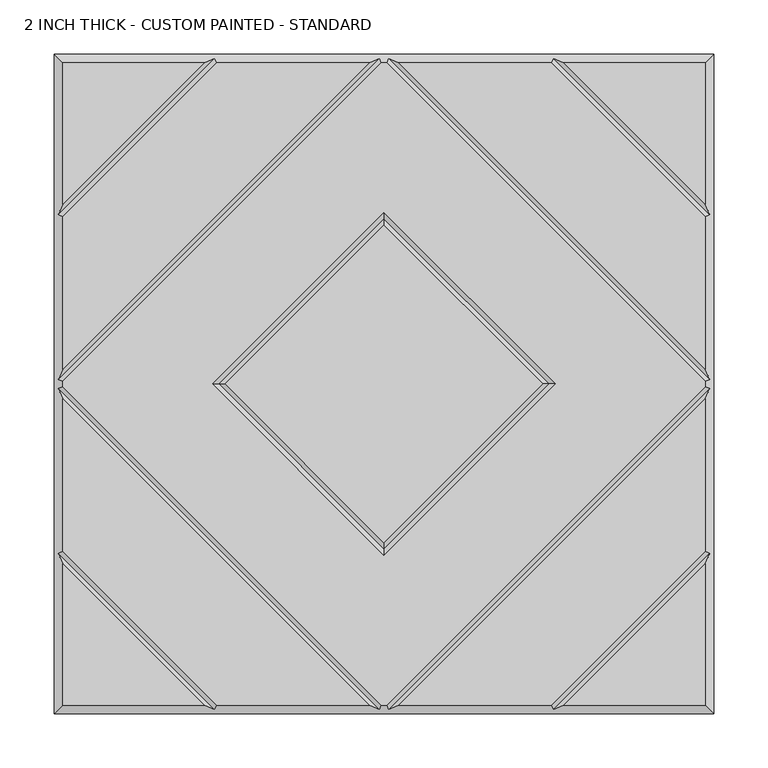
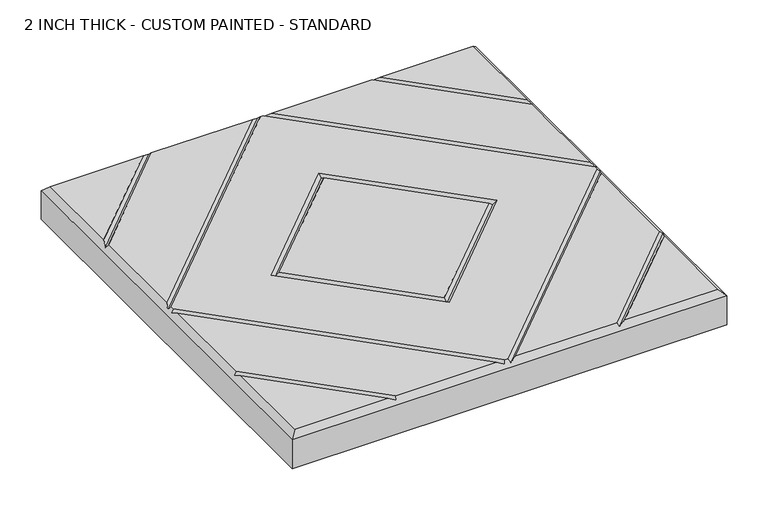
"""IFC4 building model written with IfcOpenShell, lengths in millimetres: proxy geometry, 2 INCH THICK - CUSTOM PAINTED - STANDARD."""

import ifcopenshell
import ifcopenshell.guid

model = None  # the IFC model being written
_history = None  # IfcOwnerHistory: only IFC2X3 demands one
_inside = {}  # id of a spatial element -> (the spatial element, [elements in it])
_under = {}  # id of a project, library or spatial element -> (it, [spatial elements below it])
_declared = {}  # id of a project -> (the project, [libraries it declares])
_typed = {}  # id of a type object -> (the type object, [elements of that type])
_made_of = {}  # id of a material, layer set ... -> (it, [elements and type objects made of it])


def new_model(schema):
    """Start an empty IFC model of exactly this schema.

    Asked for "IFC4X3", IfcOpenShell would pick the latest addendum, in which some entities
    have other attributes; the version numbers below select the first issue.
    IFC2X3 requires an IfcOwnerHistory on every rooted entity: one is made here for all.
    """
    global model, _history
    if schema == "IFC4X3":
        model = ifcopenshell.file(schema_version=(4, 3, 0, 0))
    else:
        model = ifcopenshell.file(schema=schema)
    _inside.clear()
    _under.clear()
    _declared.clear()
    _typed.clear()
    _made_of.clear()
    _history = None
    if model.schema == "IFC2X3":
        org = make("IfcOrganization", Name="unknown")
        user = make(
            "IfcPersonAndOrganization",
            ThePerson=make("IfcPerson", FamilyName="unknown"),
            TheOrganization=org,
        )
        app = make(
            "IfcApplication",
            ApplicationDeveloper=org,
            Version="unknown",
            ApplicationFullName="unknown",
            ApplicationIdentifier="unknown",
        )
        _history = make(
            "IfcOwnerHistory",
            OwningUser=user,
            OwningApplication=app,
            ChangeAction="ADDED",
            CreationDate=0,
        )
    return model


def make(cls, **values):
    """One entity of the class cls with the attributes given. An attribute that is None is left unset."""
    return model.create_entity(
        cls, **{name: value for name, value in values.items() if value is not None}
    )


def rooted(cls, **values):
    """An entity with a GlobalId (a new one), such as an element, a storey or a relation."""
    return make(cls, GlobalId=ifcopenshell.guid.new(), OwnerHistory=_history, **values)


def si_unit(unit_type, name, prefix=None):
    """IfcSIUnit, for example si_unit("LENGTHUNIT", "METRE", prefix="MILLI")."""
    return make("IfcSIUnit", UnitType=unit_type, Prefix=prefix, Name=name)


def assignment(units):
    """IfcUnitAssignment: the units of a project."""
    return None if units is None else make("IfcUnitAssignment", Units=units)


def point(xyz):
    """IfcCartesianPoint."""
    return None if xyz is None else make("IfcCartesianPoint", Coordinates=xyz)


def direction(xyz):
    """IfcDirection."""
    return None if xyz is None else make("IfcDirection", DirectionRatios=xyz)


def frame(location, z_axis=None, x_axis=None):
    """IfcAxis2Placement3D, a coordinate frame: its origin and axes. An axis left out is left unset."""
    return make(
        "IfcAxis2Placement3D",
        Location=point(location),
        Axis=direction(z_axis),
        RefDirection=direction(x_axis),
    )


def origin():
    """The frame at (0, 0, 0) with its axes left unset."""
    return frame((0.0, 0.0, 0.0))


def place(relative_to, where):
    """IfcLocalPlacement: puts the frame where relative to a parent placement (None: the world)."""
    return make(
        "IfcLocalPlacement", PlacementRelTo=relative_to, RelativePlacement=where
    )


def context(
    kind, dimensions, precision=None, world=None, true_north=None, identifier=None
):
    """IfcGeometricRepresentationContext, for example the 3D "Model" context."""
    return make(
        "IfcGeometricRepresentationContext",
        ContextIdentifier=identifier,
        ContextType=kind,
        CoordinateSpaceDimension=dimensions,
        Precision=precision,
        WorldCoordinateSystem=world,
        TrueNorth=true_north,
    )


def project(units=None, contexts=None):
    """IfcProject with its units and contexts."""
    return rooted(
        "IfcProject",
        Name="project",
        RepresentationContexts=contexts,
        UnitsInContext=assignment(units),
    )


def spatial(cls, under=None, at=None, **own):
    """A site, building, storey or space (cls), placed at a placement, below another one or the project."""
    s = rooted(cls, ObjectPlacement=at, **own)
    if under is not None:
        _under.setdefault(under.id(), (under, []))[1].append(s)
    return s


def faces_of(points, faces, orient=None, outer=None):
    """IfcFace entities. A face is a list of loops; a loop is a list of indices into points, from 0.

    orient and outer hold one flag for each loop. By default every Orientation is true, the
    first loop of a face is its IfcFaceOuterBound and the others are IfcFaceBound.
    """
    made = []
    for i, loops in enumerate(faces):
        bounds = []
        for j, loop in enumerate(loops):
            is_outer = j == 0 if outer is None else outer[i][j]
            bounds.append(
                make(
                    "IfcFaceOuterBound" if is_outer else "IfcFaceBound",
                    Bound=make("IfcPolyLoop", Polygon=[points[k] for k in loop]),
                    Orientation=True if orient is None else orient[i][j],
                )
            )
        made.append(make("IfcFace", Bounds=bounds))
    return made


def faceted_brep(points, faces, orient=None, outer=None, voids=None):
    """IfcFacetedBrep: a solid bounded by flat faces; with voids (closed shells), ...WithVoids."""
    shared = [point(p) for p in points]
    hull = make("IfcClosedShell", CfsFaces=faces_of(shared, faces, orient, outer))
    if voids is None:
        return make("IfcFacetedBrep", Outer=hull)
    return make(
        "IfcFacetedBrepWithVoids",
        Outer=hull,
        Voids=[
            make(cls, CfsFaces=faces_of(shared, fs, o, b)) for cls, fs, o, b in voids
        ],
    )


def shape(context_of_items, identifier, shape_type, items):
    """IfcShapeRepresentation: the items that make up one representation, for example the "Body"."""
    return make(
        "IfcShapeRepresentation",
        ContextOfItems=context_of_items,
        RepresentationIdentifier=identifier,
        RepresentationType=shape_type,
        Items=items,
    )


def source(mapping_origin, context_of_items, identifier, shape_type, items):
    """IfcRepresentationMap: a shape defined once, which mapped items show again and again."""
    return make(
        "IfcRepresentationMap",
        MappingOrigin=mapping_origin,
        MappedRepresentation=shape(context_of_items, identifier, shape_type, items),
    )


def transform(
    local_origin,
    x_axis=None,
    y_axis=None,
    z_axis=None,
    scale=None,
    scale2=None,
    scale3=None,
    uniform=True,
):
    """IfcCartesianTransformationOperator3D, or its non-uniform kind. x_axis, y_axis, z_axis: its Axis1, 2, 3."""
    if uniform:
        return make(
            "IfcCartesianTransformationOperator3D",
            Axis1=direction(x_axis),
            Axis2=direction(y_axis),
            LocalOrigin=point(local_origin),
            Scale=scale,
            Axis3=direction(z_axis),
        )
    return make(
        "IfcCartesianTransformationOperator3DnonUniform",
        Axis1=direction(x_axis),
        Axis2=direction(y_axis),
        LocalOrigin=point(local_origin),
        Scale=scale,
        Axis3=direction(z_axis),
        Scale2=scale2,
        Scale3=scale3,
    )


def mapped(mapping_source, mapping_target):
    """IfcMappedItem: shows the shape of a source again, moved by a transform."""
    return make(
        "IfcMappedItem", MappingSource=mapping_source, MappingTarget=mapping_target
    )


def made_of(thing, what):
    """Note that an element or type object is made of a material, layer set ...; save() writes the relation."""
    if what is not None:
        _made_of.setdefault(what.id(), (what, []))[1].append(thing)
    return thing


def element(
    cls,
    number,
    at=None,
    inside=None,
    cuts=None,
    type_object=None,
    material=None,
    context=None,
    identifier="Body",
    shape_type=None,
    held_by="IfcProductDefinitionShape",
    body=None,
    shapes=None,
    **own,
):
    """One element of the class cls, such as IfcWall. Its Tag is "e" and its number.

    at: its placement. inside: the storey or other place that contains it. cuts: it is an
    opening in that element (IfcRelVoidsElement). A single representation is given by context,
    identifier, shape_type and body (its items); several are given by shapes. held_by: the class
    of the entity that holds the representations. save() writes the other relations.
    """
    e = rooted(cls, Tag="e%d" % number, ObjectPlacement=at, **own)
    if body is not None:
        shapes = [shape(context, identifier, shape_type, body)]
    if shapes is not None:
        e.Representation = make(held_by, Representations=shapes)
    if inside is not None:
        _inside.setdefault(inside.id(), (inside, []))[1].append(e)
    if cuts is not None:
        rooted(
            "IfcRelVoidsElement", RelatingBuildingElement=cuts, RelatedOpeningElement=e
        )
    if type_object is not None:
        _typed.setdefault(type_object.id(), (type_object, []))[1].append(e)
    return made_of(e, material)


def aggregate(whole, parts):
    """IfcRelAggregates: a whole, such as a stair, and the parts it consists of."""
    return rooted("IfcRelAggregates", RelatingObject=whole, RelatedObjects=parts)


def save(model, path):
    """Write the relations noted so far, then the file.

    IfcRelAggregates (storeys below a building ...), IfcRelContainedInSpatialStructure (elements
    in a storey), IfcRelDefinesByType, IfcRelAssociatesMaterial and IfcRelDeclares: one each for
    every whole, place, type object, material and project.
    """
    for whole, parts in _under.values():
        aggregate(whole, parts)
    for where, things in _inside.values():
        rooted(
            "IfcRelContainedInSpatialStructure",
            RelatedElements=things,
            RelatingStructure=where,
        )
    for kind, things in _typed.values():
        rooted("IfcRelDefinesByType", RelatedObjects=things, RelatingType=kind)
    for what, things in _made_of.values():
        rooted("IfcRelAssociatesMaterial", RelatedObjects=things, RelatingMaterial=what)
    for by, libraries in _declared.values():
        rooted("IfcRelDeclares", RelatingContext=by, RelatedDefinitions=libraries)
    model.write(path)


def proxy_2_inch_thick_custom_painted_standard_75d2318e(model_context):
    return source(origin(), model_context, "Body", "Brep", [
        faceted_brep([(296.799, 166.0585868, 50.8), (296.799, 296.799, 50.8), (166.0585868, 296.799, 50.8), (-166.0585868, 296.799, 50.8), (-296.799, 296.799, 50.8), (-296.799, 166.0585868, 50.8), (-2.3434382, -296.799, 50.8), (2.3434382, -296.799, 50.8), (296.799, -2.3434137, 50.8), (296.799, 2.3434632, 50.8), (2.3434141, 296.799, 50.8), (-2.343464, 296.799, 50.8), (-296.799, 2.343464, 50.8), (-296.799, -2.3434137, 50.8), (-158.0575614, 2.54e-05, 50.8), (0.0, 158.0575868, 50.8), (158.0575614, 2.54e-05, 50.8), (0.0, -158.057536, 50.8), (-296.799, -296.799, 50.8), (-166.0590079, -296.799, 50.8), (-296.799, -166.0585721, 50.8), (166.0590079, -296.799, 50.8), (296.799, -296.799, 50.8), (296.799, -166.0585721, 50.8), (-154.743464, 296.799, 50.8), (-296.799, 154.743464, 50.8), (-296.799, 13.6585868, 50.8), (-13.6585868, 296.799, 50.8), (-13.6585605, -296.799, 50.8), (-296.799, -13.6585369, 50.8), (-296.799, -154.7434305, 50.8), (-154.743904, -296.799, 50.8), (296.799, -13.6585369, 50.8), (13.6585605, -296.799, 50.8), (154.743904, -296.799, 50.8), (296.799, -154.7434305, 50.8), (13.6585378, 296.799, 50.8), (296.799, 13.658585, 50.8), (296.799, 154.743464, 50.8), (154.743464, 296.799, 50.8), (0.0, 146.742464, 50.8), (-146.7424386, 2.54e-05, 50.8), (0.0, -146.7424132, 50.8), (146.7424386, 2.54e-05, 50.8), (-304.8, 304.8, 0.0), (304.8, 304.8, 0.0), (304.8, -304.8, 0.0), (-304.8, -304.8, 0.0), (-304.8, -304.8, 42.799), (-304.8, 304.8, 42.799), (304.8, -304.8, 42.799), (304.8, 304.8, 42.799), (-156.4005254, 300.7995, 46.7995), (-4.0005254, 300.7995, 46.7995), (4.0004753, 300.7995, 46.7995), (156.4005254, 300.7995, 46.7995), (-300.7995, -156.4004879, 46.7995), (-300.7995, -4.0004749, 46.7995), (-300.7995, 4.0005254, 46.7995), (-300.7995, 156.4005254, 46.7995), (156.4009693, -300.7995, 46.7995), (4.0004997, -300.7995, 46.7995), (-4.0004997, -300.7995, 46.7995), (-156.4009693, -300.7995, 46.7995), (300.7995, 156.4005254, 46.7995), (300.7995, 4.0005247, 46.7995), (300.7995, -4.0004749, 46.7995), (300.7995, -156.4004879, 46.7995), (0.0, 152.4000254, 46.7995), (-152.4, 2.54e-05, 46.7995), (0.0, -152.3999746, 46.7995), (152.4, 2.54e-05, 46.7995)], [[[0, 1, 2]], [[3, 4, 5]], [[6, 7, 8, 9, 10, 11, 12, 13], [14, 15, 16, 17]], [[18, 19, 20]], [[21, 22, 23]], [[24, 25, 26, 27]], [[28, 29, 30, 31]], [[32, 33, 34, 35]], [[36, 37, 38, 39]], [[40, 41, 42, 43]], [[44, 45, 46, 47]], [[44, 47, 48, 49]], [[47, 46, 50, 48]], [[46, 45, 51, 50]], [[45, 44, 49, 51]], [[49, 4, 3, 52, 24, 27, 53, 11, 10, 54, 36, 39, 55, 2, 1, 51]], [[4, 49, 48, 18, 20, 56, 30, 29, 57, 13, 12, 58, 26, 25, 59, 5]], [[18, 48, 50, 22, 21, 60, 34, 33, 61, 7, 6, 62, 28, 31, 63, 19]], [[51, 1, 0, 64, 38, 37, 65, 9, 8, 66, 32, 35, 67, 23, 22, 50]], [[52, 59, 25, 24]], [[59, 52, 3, 5]], [[53, 58, 12, 11]], [[58, 53, 27, 26]], [[57, 62, 6, 13]], [[62, 57, 29, 28]], [[61, 66, 8, 7]], [[66, 61, 33, 32]], [[65, 54, 10, 9]], [[54, 65, 37, 36]], [[68, 69, 41, 40]], [[69, 68, 15, 14]], [[41, 69, 70, 42]], [[69, 14, 17, 70]], [[42, 70, 71, 43]], [[70, 17, 16, 71]], [[68, 40, 43, 71]], [[15, 68, 71, 16]], [[56, 63, 31, 30]], [[63, 56, 20, 19]], [[67, 60, 21, 23]], [[60, 67, 35, 34]], [[55, 64, 0, 2]], [[64, 55, 39, 38]]]),
    ])


if __name__ == "__main__":
    model = new_model("IFC4")
    model_context = context("Model", 3, world=origin())
    ifc_project = project(units=[si_unit("LENGTHUNIT", "METRE", prefix="MILLI")], contexts=[model_context])
    site = spatial("IfcSite", under=ifc_project)
    building = spatial("IfcBuilding", under=site)
    placement = place(None, origin())
    proxy_2_inch_thick_custom_painted_standard_shape = proxy_2_inch_thick_custom_painted_standard_75d2318e(model_context)
    element("IfcBuildingElementProxy", 1, Name="2 INCH THICK - CUSTOM PAINTED - STANDARD", ObjectType="2 INCH THICK - CUSTOM PAINTED - STANDARD", at=placement, inside=building, context=model_context, shape_type="MappedRepresentation", body=[
        mapped(proxy_2_inch_thick_custom_painted_standard_shape, transform((0.0, 0.0, 0.0), x_axis=(1.0, 0.0, 0.0), y_axis=(0.0, 1.0, 0.0), z_axis=(0.0, 0.0, 1.0))),
    ])
    save(model, "model.ifc")
